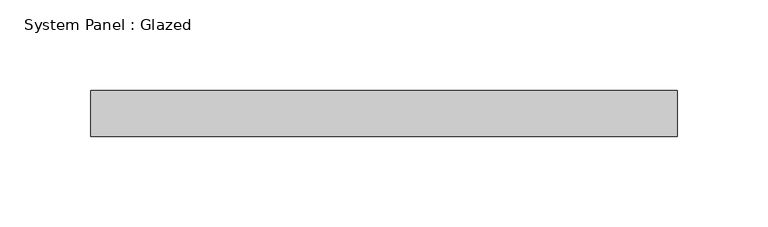
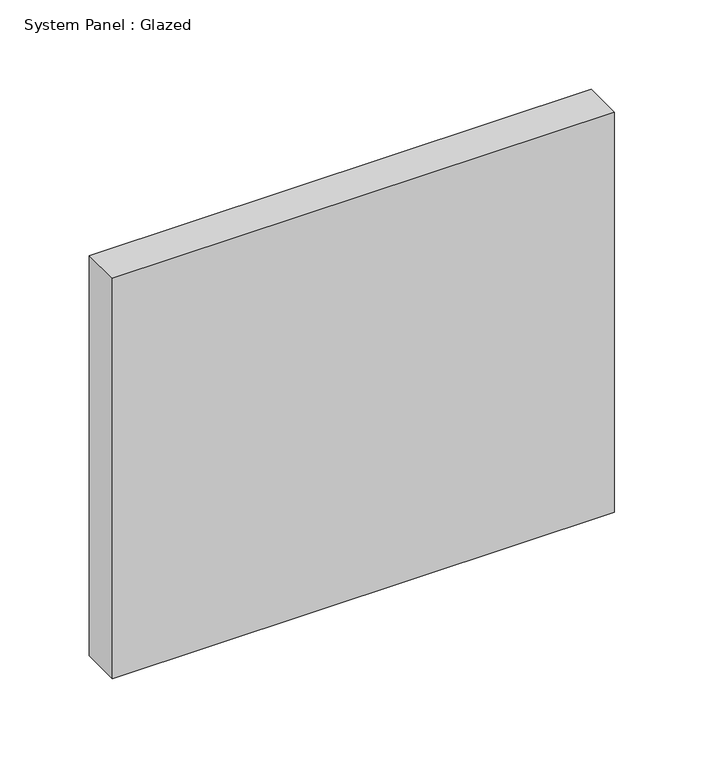
"""IFC4 building model written with IfcOpenShell, lengths in millimetres: plate geometry, System Panel : Glazed."""

from ifc_helpers import new_model, si_unit, origin, origin_with_axes, place, context, project, spatial, polyline, outline, extrude, source, transform, mapped, element, save


def system_panel_glazed_0625fe21(model_context):
    return source(origin(), model_context, "Body", "SweptSolid", [
        extrude(outline(polyline([(161.925, 19.05), (-161.925, 19.05), (-161.925, 44.45), (161.925, 44.45), (161.925, 19.05)])), origin_with_axes(), (0.0, 0.0, 1.0), 273.05),
    ])


if __name__ == "__main__":
    model = new_model("IFC4")
    model_context = context("Model", 3, world=origin())
    ifc_project = project(units=[si_unit("LENGTHUNIT", "METRE", prefix="MILLI")], contexts=[model_context])
    site = spatial("IfcSite", under=ifc_project)
    building = spatial("IfcBuilding", under=site)
    placement = place(None, origin())
    system_panel_glazed_shape = system_panel_glazed_0625fe21(model_context)
    element("IfcPlate", 1, ObjectType="System Panel : Glazed", at=placement, inside=building, context=model_context, shape_type="MappedRepresentation", body=[
        mapped(system_panel_glazed_shape, transform((0.0, 0.0, 0.0), x_axis=(1.0, 0.0, 0.0), y_axis=(0.0, 1.0, 0.0), z_axis=(0.0, 0.0, 1.0))),
    ])
    save(model, "model.ifc")
